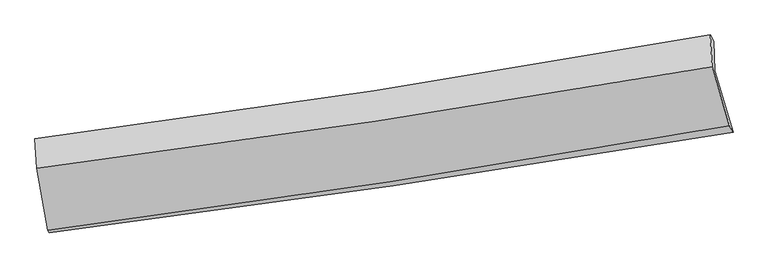
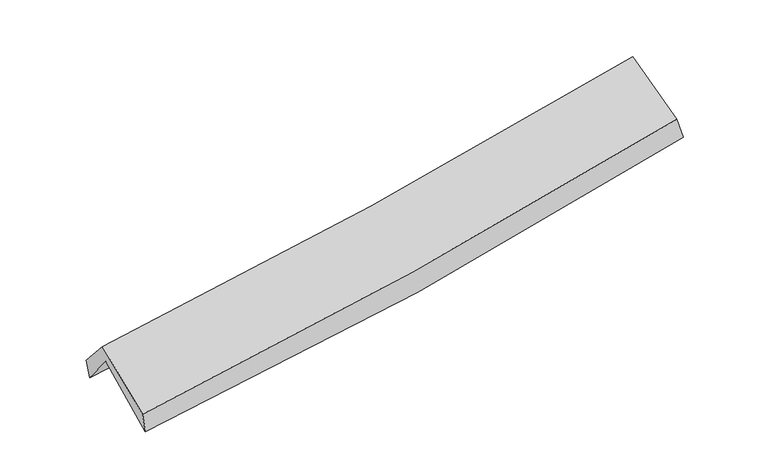
"""IFC4 building model written with IfcOpenShell, lengths in millimetres: proxy geometry."""

from ifc_helpers import new_model, si_unit, frame, origin, place, context, project, spatial, source, transform, mapped, element, save
from ifc_brep_helpers import plane_surface, spline_curve, spline_surface, advanced_brep


def generic_models_695d4309(model_context):
    return source(origin(), model_context, "Body", "AdvancedBrep", [
        advanced_brep(
        [(-2734.9874694, -2492.2646548, 1471.3132007), (-2826.4430024, -1995.16906, 1912.859338), (2750.2796723, -1157.0819073, 2388.247465), (2899.4149583, -1663.1764686, 1977.3504919), (-2838.59419, -1743.7096544, 1597.2443351), (2740.2391131, -914.7487271, 2076.9589266), (-2852.7927567, -1715.5758477, 1764.7901648), (2711.738124, -861.6108232, 2226.4145679), (-2839.5556555, -1958.9405781, 2046.9075417), (2726.5690126, -1124.1063082, 2530.8623024), (-2748.4639211, -2468.9087519, 1637.0944294), (2869.4581648, -1609.799029, 2138.4678665)],
        [
            (0, 1),
            (1, 2, spline_curve(3, [(-2826.4430024, -1995.16906, 1912.859338), (-1890.051222516, -1872.593643193, 1960.25699748), (-956.250427098, -1741.316147845, 2023.677153183), (902.637515383, -1461.887882057, 2182.261164504), (1827.744278222, -1313.802993312, 2277.303717901), (2750.2796723, -1157.0819073, 2388.247465)], [4, 2, 4], [0.0, 9.35205423173769, 18.668640131886445])),
            (2, 3),
            (3, 0, spline_curve(3, [(2899.4149583, -1663.1764686, 1977.3504919), (1969.436267975, -1819.673991333, 1846.383348948), (1035.812386773, -1966.899818903, 1738.765675466), (-842.293948088, -2243.333276999, 1569.908456473), (-1786.804209921, -2372.470177932, 1508.847033172), (-2734.9874694, -2492.2646548, 1471.3132007)], [4, 2, 4], [0.0, 9.316585900148755, 18.668640131886445])),
            (1, 4),
            (4, 5, spline_curve(3, [(-2838.59419, -1743.7096544, 1597.2443351), (-1901.972314995, -1615.672576779, 1633.788108425), (-967.880135699, -1482.432850477, 1692.153541569), (891.711813649, -1206.073153088, 1852.223612171), (1817.230735416, -1062.992570576, 1953.763042857), (2740.2391131, -914.7487271, 2076.9589266)], [4, 2, 4], [0.0, 9.304780906951772, 18.574272769764967])),
            (5, 2),
            (4, 6),
            (6, 7, spline_curve(3, [(-2852.7927567, -1715.5758477, 1764.7901648), (-1918.475245324, -1595.296233056, 1818.804843191), (-986.729460557, -1463.83626935, 1884.375883024), (868.094696181, -1179.096617593, 2038.338174614), (1791.192538437, -1025.901573125, 2126.641935664), (2711.738124, -861.6108232, 2226.4145679)], [4, 2, 4], [0.0, 9.295520740513103, 18.55578755672822])),
            (7, 5),
            (6, 8),
            (8, 9, spline_curve(3, [(-2839.5556555, -1958.9405781, 2046.9075417), (-1904.975645238, -1841.81589883, 2104.598719769), (-972.965539867, -1713.530698707, 2173.872457684), (882.389893325, -1435.168115317, 2335.278399849), (1805.75467737, -1285.175225335, 2427.322915461), (2726.5690126, -1124.1063082, 2530.8623024)], [4, 2, 4], [0.0, 9.285687831262127, 18.536159030234757])),
            (9, 7),
            (8, 10),
            (10, 11, spline_curve(3, [(-2748.4639211, -2468.9087519, 1637.0944294), (-1804.374189023, -2347.932749597, 1697.488801063), (-863.285387584, -2215.694898051, 1769.568644951), (1009.332588338, -1929.239729981, 1936.781591922), (1940.884482289, -1775.107673691, 2031.82622707), (2869.4581648, -1609.799029, 2138.4678665)], [4, 2, 4], [0.0, 9.332338734896188, 18.62928391062906])),
            (11, 9),
            (10, 0),
            (3, 11),
        ],
        [
            spline_surface(3, 3, [[(-2734.9874694, -2492.2646548, 1471.3132007), (-1786.804209911, -2372.470178011, 1508.847033187), (-842.293948236, -2243.33327693, 1569.908456575), (1035.81238692, -1966.899818972, 1738.765675365), (1969.43626787, -1819.673991287, 1846.383349029), (2899.4149583, -1663.1764686, 1977.3504919)], [(-2765.472647064, -2326.566123226, 1618.495246479), (-1821.219880803, -2205.844666413, 1659.31702132), (-880.279441197, -2075.994233866, 1721.164688777), (991.42076307, -1798.562506696, 1886.597505117), (1922.205604646, -1651.050325296, 1990.023472017), (2849.703196305, -1494.478281486, 2114.316149592)], [(-2795.957824736, -2160.867591574, 1765.677292221), (-1855.635551702, -2039.219154737, 1809.787009415), (-918.264934141, -1908.655190812, 1872.420920922), (947.029139237, -1630.225194429, 2034.429334812), (1874.974941407, -1482.426659349, 2133.663595027), (2799.991434295, -1325.780094414, 2251.281807308)], [(-2826.4430024, -1995.16906, 1912.859338), (-1890.051222593, -1872.593643139, 1960.256997548), (-956.250427102, -1741.316147749, 2023.677153123), (902.637515387, -1461.887882153, 2182.261164563), (1827.744278182, -1313.802993358, 2277.303718015), (2750.2796723, -1157.0819073, 2388.247465)]], [4, 4], [4, 2, 4], [0.0, 2.249395117557029], [0.0, 9.35205423173769, 18.668640131886445]),
            spline_surface(3, 3, [[(-2826.4430024, -1995.16906, 1912.859338), (-1890.051222593, -1872.593643139, 1960.256997548), (-956.250427102, -1741.316147749, 2023.677153123), (902.637515387, -1461.887882153, 2182.261164563), (1827.744278182, -1313.802993358, 2277.303718015), (2750.2796723, -1157.0819073, 2388.247465)], [(-2830.493398273, -1911.349258122, 1807.654337037), (-1894.024920034, -1786.953287626, 1851.434034557), (-960.12699663, -1655.021715288, 1913.169282639), (898.995614799, -1376.616305856, 2072.248647048), (1824.239763956, -1230.199519058, 2169.45682627), (2746.93281925, -1076.304180571, 2284.484618873)], [(-2834.543794127, -1827.529456278, 1702.449336063), (-1897.998617457, -1701.312932147, 1742.611071555), (-964.003566152, -1568.727282796, 1802.661412182), (895.353714218, -1291.344729527, 1962.236129559), (1820.73524968, -1146.596044745, 2061.609934508), (2743.58596615, -995.526453829, 2180.721772727)], [(-2838.59419, -1743.7096544, 1597.2443351), (-1901.972314898, -1615.672576634, 1633.788108564), (-967.880135681, -1482.432850335, 1692.153541698), (891.711813631, -1206.073153229, 1852.223612043), (1817.230735455, -1062.992570446, 1953.763042764), (2740.2391131, -914.7487271, 2076.9589266)]], [4, 4], [4, 2, 4], [0.0, 1.375514702273308], [0.0, 9.304780906951772, 18.574272769764967]),
            spline_surface(3, 3, [[(-2838.59419, -1743.7096544, 1597.2443351), (-1901.972314898, -1615.672576634, 1633.788108564), (-967.880135681, -1482.432850335, 1692.153541698), (891.711813631, -1206.073153229, 1852.223612043), (1817.230735455, -1062.992570446, 1953.763042764), (2740.2391131, -914.7487271, 2076.9589266)], [(-2843.327045564, -1734.331718819, 1653.092945011), (-1907.473291701, -1608.880462117, 1695.460353451), (-974.163243989, -1476.233990037, 1756.227655489), (883.839441206, -1197.080974676, 1914.261799533), (1808.551336487, -1050.62890466, 2011.389340415), (2730.738783392, -897.036092481, 2126.777473706)], [(-2848.059901136, -1724.953783281, 1708.941554889), (-1912.974268514, -1602.088347643, 1757.132598303), (-980.446352361, -1470.035129705, 1820.301769307), (875.967068718, -1188.088796088, 1976.299987051), (1799.871937543, -1038.265238831, 2069.015638047), (2721.238453708, -879.323457819, 2176.596020794)], [(-2852.7927567, -1715.5758477, 1764.7901648), (-1918.475245317, -1595.296233126, 1818.80484319), (-986.729460669, -1463.836269407, 1884.375883098), (868.094696293, -1179.096617535, 2038.338174541), (1791.192538575, -1025.901573045, 2126.641935697), (2711.738124, -861.6108232, 2226.4145679)]], [4, 4], [4, 2, 4], [0.0, 0.629015144711157], [0.0, 9.295520740513103, 18.55578755672822]),
            spline_surface(3, 3, [[(-2852.7927567, -1715.5758477, 1764.7901648), (-1918.475245317, -1595.296233126, 1818.80484319), (-986.729460669, -1463.836269407, 1884.375883098), (868.094696293, -1179.096617535, 2038.338174541), (1791.192538575, -1025.901573045, 2126.641935697), (2711.738124, -861.6108232, 2226.4145679)], [(-2848.38038964, -1796.697424522, 1858.829290416), (-1913.97537867, -1677.469455033, 1914.069468677), (-982.141487093, -1547.067745858, 1980.874741272), (872.859761957, -1264.453783417, 2137.318249682), (1796.046584801, -1112.326123777, 2226.868929005), (2716.681753531, -949.1093182, 2327.897146076)], [(-2843.96802256, -1877.819001278, 1952.868416084), (-1909.475512003, -1759.642676874, 2009.334094216), (-977.553513461, -1630.299222351, 2077.373599421), (877.624827677, -1349.810949341, 2236.298324798), (1800.900631034, -1198.750674507, 2327.095922286), (2721.625383069, -1036.6078132, 2429.379724224)], [(-2839.5556555, -1958.9405781, 2046.9075417), (-1904.975645356, -1841.815898781, 2104.598719703), (-972.965539884, -1713.530698802, 2173.872457594), (882.389893342, -1435.168115223, 2335.278399939), (1805.75467726, -1285.175225239, 2427.322915594), (2726.5690126, -1124.1063082, 2530.8623024)]], [4, 4], [4, 2, 4], [0.0, 1.271126277532499], [0.0, 9.285687831262127, 18.536159030234757]),
            spline_surface(3, 3, [[(-2839.5556555, -1958.9405781, 2046.9075417), (-1904.975645356, -1841.815898781, 2104.598719703), (-972.965539884, -1713.530698802, 2173.872457594), (882.389893342, -1435.168115223, 2335.278399939), (1805.75467726, -1285.175225239, 2427.322915594), (2726.5690126, -1124.1063082, 2530.8623024)], [(-2809.191744034, -2128.92996935, 1910.303170938), (-1871.441826544, -2010.52151572, 1968.895413471), (-936.405489095, -1880.918765269, 2039.104520062), (924.704125043, -1599.858653426, 2202.446130594), (1850.797945628, -1448.48604136, 2295.490686029), (2774.198729997, -1286.00388179, 2400.064157077)], [(-2778.827832566, -2298.91936065, 1773.698800162), (-1837.90800773, -2179.227132709, 1833.192107224), (-899.845438393, -2048.306831735, 1904.336582515), (967.018356658, -1764.549191628, 2069.613861236), (1895.841214004, -1611.796857511, 2163.658456533), (2821.828447403, -1447.90145541, 2269.266011823)], [(-2748.4639211, -2468.9087519, 1637.0944294), (-1804.374188918, -2347.932749648, 1697.488800991), (-863.285387604, -2215.694898202, 1769.568644982), (1009.332588358, -1929.23972983, 1936.781591891), (1940.884482372, -1775.107673633, 2031.826226968), (2869.4581648, -1609.799029, 2138.4678665)]], [4, 4], [4, 2, 4], [0.0, 2.1344572078296724], [0.0, 9.332338734896188, 18.62928391062906]),
            spline_surface(3, 3, [[(-2748.4639211, -2468.9087519, 1637.0944294), (-1804.374188918, -2347.932749648, 1697.488800991), (-863.285387604, -2215.694898202, 1769.568644982), (1009.332588358, -1929.23972983, 1936.781591891), (1940.884482372, -1775.107673633, 2031.826226968), (2869.4581648, -1609.799029, 2138.4678665)], [(-2743.971770526, -2476.69405286, 1581.834019818), (-1798.517529242, -2356.111892429, 1634.608211708), (-856.288241171, -2224.907691106, 1703.015248833), (1018.159187856, -1941.793092872, 1870.776286369), (1950.401744197, -1789.963112856, 1970.011934331), (2879.443762625, -1627.591508872, 2084.762074976)], [(-2739.479619974, -2484.47935384, 1526.573610282), (-1792.660869588, -2364.29103523, 1571.72762247), (-849.291094669, -2234.120484026, 1636.461852724), (1026.985787423, -1954.34645593, 1804.770980887), (1959.919006046, -1804.818552064, 1908.197641666), (2889.429360475, -1645.383988728, 2031.056283424)], [(-2734.9874694, -2492.2646548, 1471.3132007), (-1786.804209911, -2372.470178011, 1508.847033187), (-842.293948236, -2243.33327693, 1569.908456575), (1035.81238692, -1966.899818972, 1738.765675365), (1969.43626787, -1819.673991287, 1846.383349029), (2899.4149583, -1663.1764686, 1977.3504919)]], [4, 4], [4, 2, 4], [0.0, 0.6656579002472557], [0.0, 9.38946993334303, 18.743329633384594]),
            plane_surface(frame((2782.9498408, -1221.7538772, 2223.05027), z_axis=(0.9743955833534792, 0.19156939916643875, 0.11770476814574175), x_axis=(0.22307699583612087, -0.7582582119554127, -0.6126019408481432))),
            plane_surface(frame((-2806.8061658, -2062.4280911, 1738.3681683), z_axis=(-0.989988030085509, -0.1264822180039746, -0.06265739235085291), x_axis=(-0.08023612507818308, 0.13905642103276622, 0.9870286095154468))),
        ],
        [
            (0, [[1, 2, 3, 4]]),
            (1, [[5, 6, 7, -2]]),
            (2, [[8, 9, 10, -6]]),
            (3, [[11, 12, 13, -9]]),
            (4, [[14, 15, 16, -12]]),
            (5, [[17, -4, 18, -15]]),
            (6, [[-16, -18, -3, -7, -10, -13]]),
            (7, [[-17, -14, -11, -8, -5, -1]]),
        ],
    ),
    ])


if __name__ == "__main__":
    model = new_model("IFC4")
    model_context = context("Model", 3, world=origin())
    ifc_project = project(units=[si_unit("LENGTHUNIT", "METRE", prefix="MILLI")], contexts=[model_context])
    site = spatial("IfcSite", under=ifc_project)
    building = spatial("IfcBuilding", under=site)
    placement = place(None, origin())
    generic_models_shape = generic_models_695d4309(model_context)
    element("IfcBuildingElementProxy", 1, Name="Generic Models", at=placement, inside=building, context=model_context, shape_type="MappedRepresentation", body=[
        mapped(generic_models_shape, transform((0.0, 0.0, 0.0), x_axis=(1.0, 0.0, 0.0), y_axis=(0.0, 1.0, 0.0), z_axis=(0.0, 0.0, 1.0))),
    ])
    save(model, "model.ifc")
